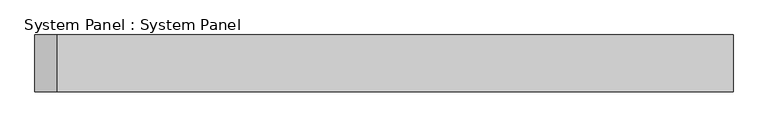
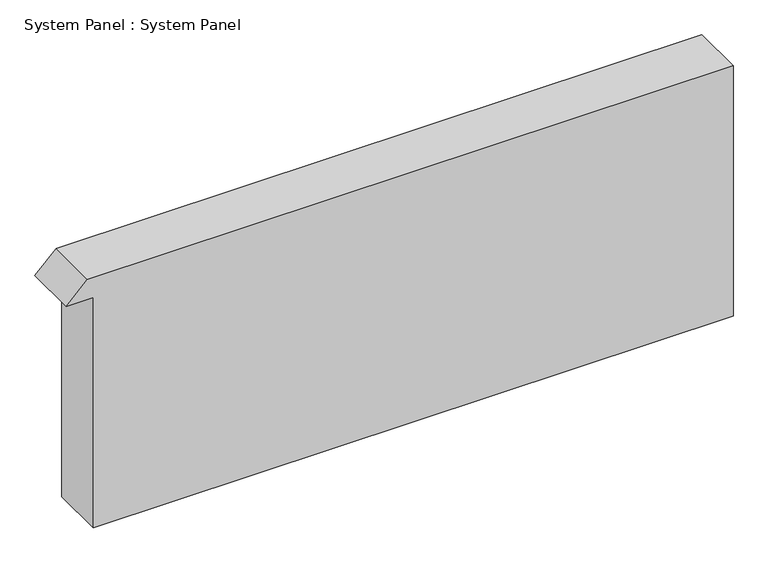
"""IFC4 building model written with IfcOpenShell, lengths in millimetres: plate geometry, System Panel : System Panel."""

import ifcopenshell
import ifcopenshell.guid

model = None  # the IFC model being written
_history = None  # IfcOwnerHistory: only IFC2X3 demands one
_inside = {}  # id of a spatial element -> (the spatial element, [elements in it])
_under = {}  # id of a project, library or spatial element -> (it, [spatial elements below it])
_declared = {}  # id of a project -> (the project, [libraries it declares])
_typed = {}  # id of a type object -> (the type object, [elements of that type])
_made_of = {}  # id of a material, layer set ... -> (it, [elements and type objects made of it])


def new_model(schema):
    """Start an empty IFC model of exactly this schema.

    Asked for "IFC4X3", IfcOpenShell would pick the latest addendum, in which some entities
    have other attributes; the version numbers below select the first issue.
    IFC2X3 requires an IfcOwnerHistory on every rooted entity: one is made here for all.
    """
    global model, _history
    if schema == "IFC4X3":
        model = ifcopenshell.file(schema_version=(4, 3, 0, 0))
    else:
        model = ifcopenshell.file(schema=schema)
    _inside.clear()
    _under.clear()
    _declared.clear()
    _typed.clear()
    _made_of.clear()
    _history = None
    if model.schema == "IFC2X3":
        org = make("IfcOrganization", Name="unknown")
        user = make(
            "IfcPersonAndOrganization",
            ThePerson=make("IfcPerson", FamilyName="unknown"),
            TheOrganization=org,
        )
        app = make(
            "IfcApplication",
            ApplicationDeveloper=org,
            Version="unknown",
            ApplicationFullName="unknown",
            ApplicationIdentifier="unknown",
        )
        _history = make(
            "IfcOwnerHistory",
            OwningUser=user,
            OwningApplication=app,
            ChangeAction="ADDED",
            CreationDate=0,
        )
    return model


def make(cls, **values):
    """One entity of the class cls with the attributes given. An attribute that is None is left unset."""
    return model.create_entity(
        cls, **{name: value for name, value in values.items() if value is not None}
    )


def rooted(cls, **values):
    """An entity with a GlobalId (a new one), such as an element, a storey or a relation."""
    return make(cls, GlobalId=ifcopenshell.guid.new(), OwnerHistory=_history, **values)


def si_unit(unit_type, name, prefix=None):
    """IfcSIUnit, for example si_unit("LENGTHUNIT", "METRE", prefix="MILLI")."""
    return make("IfcSIUnit", UnitType=unit_type, Prefix=prefix, Name=name)


def assignment(units):
    """IfcUnitAssignment: the units of a project."""
    return None if units is None else make("IfcUnitAssignment", Units=units)


def point(xyz):
    """IfcCartesianPoint."""
    return None if xyz is None else make("IfcCartesianPoint", Coordinates=xyz)


def direction(xyz):
    """IfcDirection."""
    return None if xyz is None else make("IfcDirection", DirectionRatios=xyz)


def frame(location, z_axis=None, x_axis=None):
    """IfcAxis2Placement3D, a coordinate frame: its origin and axes. An axis left out is left unset."""
    return make(
        "IfcAxis2Placement3D",
        Location=point(location),
        Axis=direction(z_axis),
        RefDirection=direction(x_axis),
    )


def origin():
    """The frame at (0, 0, 0) with its axes left unset."""
    return frame((0.0, 0.0, 0.0))


def place(relative_to, where):
    """IfcLocalPlacement: puts the frame where relative to a parent placement (None: the world)."""
    return make(
        "IfcLocalPlacement", PlacementRelTo=relative_to, RelativePlacement=where
    )


def context(
    kind, dimensions, precision=None, world=None, true_north=None, identifier=None
):
    """IfcGeometricRepresentationContext, for example the 3D "Model" context."""
    return make(
        "IfcGeometricRepresentationContext",
        ContextIdentifier=identifier,
        ContextType=kind,
        CoordinateSpaceDimension=dimensions,
        Precision=precision,
        WorldCoordinateSystem=world,
        TrueNorth=true_north,
    )


def project(units=None, contexts=None):
    """IfcProject with its units and contexts."""
    return rooted(
        "IfcProject",
        Name="project",
        RepresentationContexts=contexts,
        UnitsInContext=assignment(units),
    )


def spatial(cls, under=None, at=None, **own):
    """A site, building, storey or space (cls), placed at a placement, below another one or the project."""
    s = rooted(cls, ObjectPlacement=at, **own)
    if under is not None:
        _under.setdefault(under.id(), (under, []))[1].append(s)
    return s


def polyline(points):
    """IfcPolyline through the points."""
    return make("IfcPolyline", Points=[point(p) for p in points])


def outline(outer, holes=None, kind="AREA"):
    """IfcArbitraryClosedProfileDef: a profile drawn as a closed curve; with holes, ...WithVoids."""
    if holes is None:
        return make("IfcArbitraryClosedProfileDef", ProfileType=kind, OuterCurve=outer)
    return make(
        "IfcArbitraryProfileDefWithVoids",
        ProfileType=kind,
        OuterCurve=outer,
        InnerCurves=holes,
    )


def extrude(swept, where, along, depth):
    """IfcExtrudedAreaSolid: the profile swept, set in the frame where, extruded along a direction by depth."""
    return make(
        "IfcExtrudedAreaSolid",
        SweptArea=swept,
        Position=where,
        ExtrudedDirection=direction(along),
        Depth=depth,
    )


def shape(context_of_items, identifier, shape_type, items):
    """IfcShapeRepresentation: the items that make up one representation, for example the "Body"."""
    return make(
        "IfcShapeRepresentation",
        ContextOfItems=context_of_items,
        RepresentationIdentifier=identifier,
        RepresentationType=shape_type,
        Items=items,
    )


def source(mapping_origin, context_of_items, identifier, shape_type, items):
    """IfcRepresentationMap: a shape defined once, which mapped items show again and again."""
    return make(
        "IfcRepresentationMap",
        MappingOrigin=mapping_origin,
        MappedRepresentation=shape(context_of_items, identifier, shape_type, items),
    )


def transform(
    local_origin,
    x_axis=None,
    y_axis=None,
    z_axis=None,
    scale=None,
    scale2=None,
    scale3=None,
    uniform=True,
):
    """IfcCartesianTransformationOperator3D, or its non-uniform kind. x_axis, y_axis, z_axis: its Axis1, 2, 3."""
    if uniform:
        return make(
            "IfcCartesianTransformationOperator3D",
            Axis1=direction(x_axis),
            Axis2=direction(y_axis),
            LocalOrigin=point(local_origin),
            Scale=scale,
            Axis3=direction(z_axis),
        )
    return make(
        "IfcCartesianTransformationOperator3DnonUniform",
        Axis1=direction(x_axis),
        Axis2=direction(y_axis),
        LocalOrigin=point(local_origin),
        Scale=scale,
        Axis3=direction(z_axis),
        Scale2=scale2,
        Scale3=scale3,
    )


def mapped(mapping_source, mapping_target):
    """IfcMappedItem: shows the shape of a source again, moved by a transform."""
    return make(
        "IfcMappedItem", MappingSource=mapping_source, MappingTarget=mapping_target
    )


def made_of(thing, what):
    """Note that an element or type object is made of a material, layer set ...; save() writes the relation."""
    if what is not None:
        _made_of.setdefault(what.id(), (what, []))[1].append(thing)
    return thing


def element(
    cls,
    number,
    at=None,
    inside=None,
    cuts=None,
    type_object=None,
    material=None,
    context=None,
    identifier="Body",
    shape_type=None,
    held_by="IfcProductDefinitionShape",
    body=None,
    shapes=None,
    **own,
):
    """One element of the class cls, such as IfcWall. Its Tag is "e" and its number.

    at: its placement. inside: the storey or other place that contains it. cuts: it is an
    opening in that element (IfcRelVoidsElement). A single representation is given by context,
    identifier, shape_type and body (its items); several are given by shapes. held_by: the class
    of the entity that holds the representations. save() writes the other relations.
    """
    e = rooted(cls, Tag="e%d" % number, ObjectPlacement=at, **own)
    if body is not None:
        shapes = [shape(context, identifier, shape_type, body)]
    if shapes is not None:
        e.Representation = make(held_by, Representations=shapes)
    if inside is not None:
        _inside.setdefault(inside.id(), (inside, []))[1].append(e)
    if cuts is not None:
        rooted(
            "IfcRelVoidsElement", RelatingBuildingElement=cuts, RelatedOpeningElement=e
        )
    if type_object is not None:
        _typed.setdefault(type_object.id(), (type_object, []))[1].append(e)
    return made_of(e, material)


def aggregate(whole, parts):
    """IfcRelAggregates: a whole, such as a stair, and the parts it consists of."""
    return rooted("IfcRelAggregates", RelatingObject=whole, RelatedObjects=parts)


def save(model, path):
    """Write the relations noted so far, then the file.

    IfcRelAggregates (storeys below a building ...), IfcRelContainedInSpatialStructure (elements
    in a storey), IfcRelDefinesByType, IfcRelAssociatesMaterial and IfcRelDeclares: one each for
    every whole, place, type object, material and project.
    """
    for whole, parts in _under.values():
        aggregate(whole, parts)
    for where, things in _inside.values():
        rooted(
            "IfcRelContainedInSpatialStructure",
            RelatedElements=things,
            RelatingStructure=where,
        )
    for kind, things in _typed.values():
        rooted("IfcRelDefinesByType", RelatedObjects=things, RelatingType=kind)
    for what, things in _made_of.values():
        rooted("IfcRelAssociatesMaterial", RelatedObjects=things, RelatingMaterial=what)
    for by, libraries in _declared.values():
        rooted("IfcRelDeclares", RelatingContext=by, RelatedDefinitions=libraries)
    model.write(path)


def system_panel_system_panel_48520174(model_context):
    return source(origin(), model_context, "Body", "SweptSolid", [
        extrude(outline(polyline([(0.0, -566.0), (0.0, 616.0), (489.25, 616.0), (489.25, -576.75), (450.0, -616.0), (450.0, -566.0), (0.0, -566.0)])), frame((0.0, -50.0, 0.0), z_axis=(0.0, 1.0, 0.0), x_axis=(0.0, 0.0, 1.0)), (0.0, 0.0, 1.0), 100.0),
    ])


if __name__ == "__main__":
    model = new_model("IFC4")
    model_context = context("Model", 3, world=origin())
    ifc_project = project(units=[si_unit("LENGTHUNIT", "METRE", prefix="MILLI")], contexts=[model_context])
    site = spatial("IfcSite", under=ifc_project)
    building = spatial("IfcBuilding", under=site)
    placement = place(None, origin())
    system_panel_system_panel_shape = system_panel_system_panel_48520174(model_context)
    element("IfcPlate", 1, ObjectType="System Panel : System Panel", at=placement, inside=building, context=model_context, shape_type="MappedRepresentation", body=[
        mapped(system_panel_system_panel_shape, transform((0.0, 0.0, 0.0), x_axis=(1.0, 0.0, 0.0), y_axis=(0.0, 1.0, 0.0), z_axis=(0.0, 0.0, 1.0))),
    ])
    save(model, "model.ifc")
